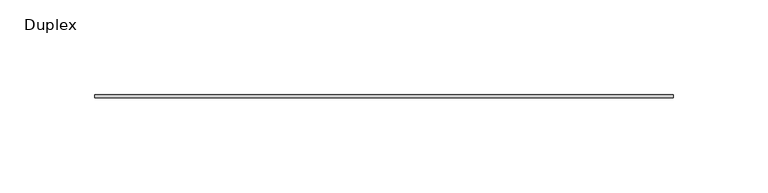
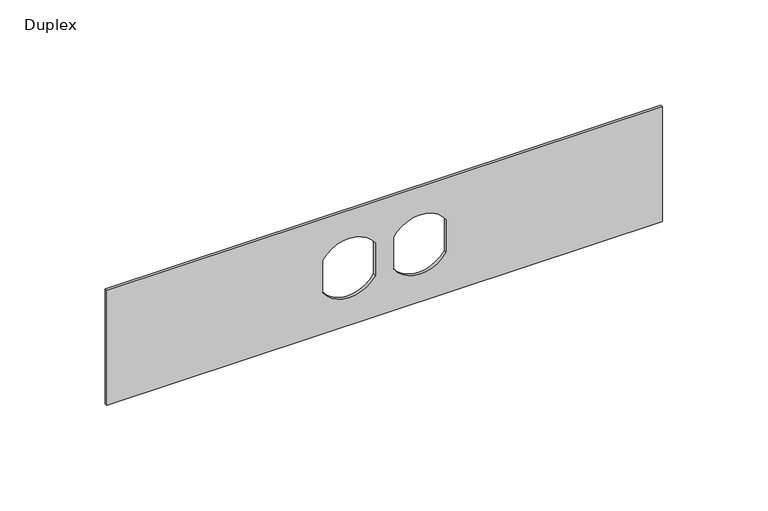
"""IFC4 building model written with IfcOpenShell, lengths in millimetres: furniture geometry, Duplex."""

from ifc_helpers import new_model, si_unit, point, frame, frame_2d, origin, place, context, project, spatial, polyline, circle_curve, trimmed, segment, composite_curve, outline, extrude, source, transform, mapped, element, save


def duplex_75de516d(model_context):
    return source(origin(), model_context, "Body", "SweptSolid", [
        extrude(outline(polyline([(1092.2, 171.1377049), (1092.2, -133.6622951), (1025.525, -133.6622951), (1025.525, 171.1377049), (1092.2, 171.1377049)]), holes=[composite_curve([segment(polyline([(1068.1890625, 13.6775487), (1049.5634118, 13.6775487)]), True, "CONTINUOUS"), segment(trimmed(circle_curve(frame_2d((1058.8625, -0.7091701)), 17.1304033), [point((1049.5634118, 13.6775487))], [point((1049.4116767, -14.9966701))], True, "CARTESIAN"), True, "CONTINUOUS"), segment(polyline([(1049.4116767, -14.9966701), (1068.1890625, -14.9966701)]), True, "CONTINUOUS"), segment(trimmed(circle_curve(frame_2d((1058.8136685, -0.6595607)), 17.1304033), [point((1068.1890625, -14.9966701))], [point((1068.1890625, 13.6775487))], True, "CARTESIAN"), True, "CONTINUOUS")], self_intersect=False), composite_curve([segment(trimmed(circle_curve(frame_2d((1058.8625, 38.1845799)), 17.1304033), [point((1068.1615882, 23.7978612))], [point((1068.3133233, 52.4720799))], True, "CARTESIAN"), True, "CONTINUOUS"), segment(polyline([(1068.3133233, 52.4720799), (1049.4116767, 52.4720799)]), True, "CONTINUOUS"), segment(trimmed(circle_curve(frame_2d((1058.8625, 38.1845799)), 17.1304033), [point((1049.4116767, 52.4720799))], [point((1049.5634118, 23.7978612))], True, "CARTESIAN"), True, "CONTINUOUS"), segment(polyline([(1049.5634118, 23.7978612), (1068.1615882, 23.7978612)]), True, "CONTINUOUS")], self_intersect=False)]), frame((0.0, -1.5875, 0.0), z_axis=(0.0, 1.0, 0.0), x_axis=(0.0, 0.0, 1.0)), (0.0, 0.0, 1.0), 1.5875),
    ])


if __name__ == "__main__":
    model = new_model("IFC4")
    model_context = context("Model", 3, world=origin())
    ifc_project = project(units=[si_unit("LENGTHUNIT", "METRE", prefix="MILLI")], contexts=[model_context])
    site = spatial("IfcSite", under=ifc_project)
    building = spatial("IfcBuilding", under=site)
    placement = place(None, origin())
    duplex_shape = duplex_75de516d(model_context)
    element("IfcFurniture", 1, ObjectType="Duplex", at=placement, inside=building, context=model_context, shape_type="MappedRepresentation", body=[
        mapped(duplex_shape, transform((0.0, 0.0, 0.0), x_axis=(1.0, 0.0, 0.0), y_axis=(0.0, 1.0, 0.0), z_axis=(0.0, 0.0, 1.0))),
    ])
    save(model, "model.ifc")
